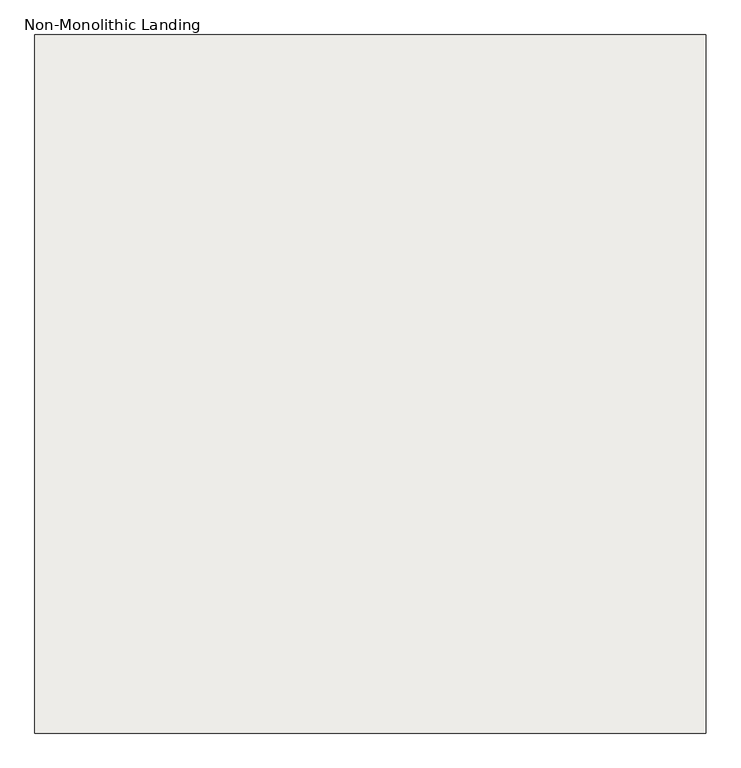
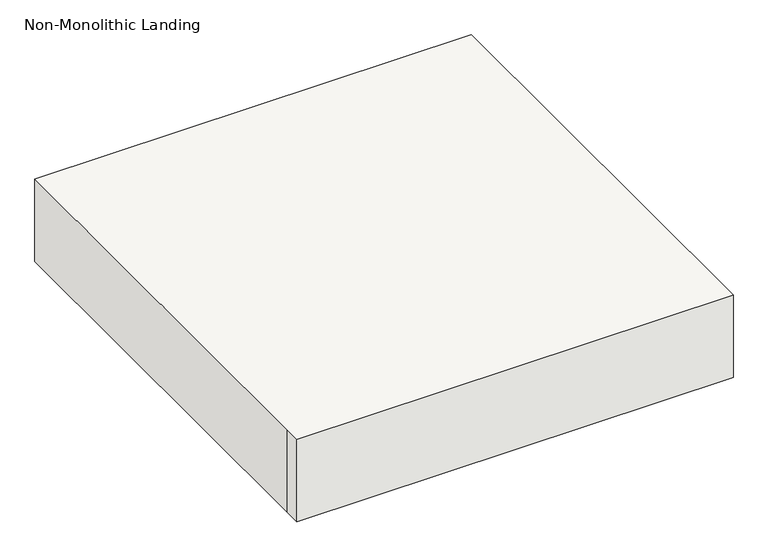
"""IFC4 building model written with IfcOpenShell, lengths in millimetres: slab geometry, Non-Monolithic Landing."""

from ifc_helpers import new_model, si_unit, frame, origin, place, context, project, spatial, polyline, outline, extrude, source, transform, mapped, element, save


def non_monolithic_landing_f268ddea(model_context):
    return source(origin(), model_context, "Body", "SweptSolid", [
        extrude(outline(polyline([(5455.1809005, 1948.1591595), (6455.1809005, 1948.1591595), (6455.1809005, 908.1591595), (5455.1809005, 908.1591595), (5455.1809005, 948.1591595), (5455.1809005, 1948.1591595)])), frame((0.0, 0.0, -1600.0), z_axis=(0.0, 0.0, 1.0), x_axis=(1.0, 0.0, 0.0)), (0.0, 0.0, 1.0), 200.0),
    ])


if __name__ == "__main__":
    model = new_model("IFC4")
    model_context = context("Model", 3, world=origin())
    ifc_project = project(units=[si_unit("LENGTHUNIT", "METRE", prefix="MILLI")], contexts=[model_context])
    site = spatial("IfcSite", under=ifc_project)
    building = spatial("IfcBuilding", under=site)
    placement = place(None, origin())
    non_monolithic_landing_shape = non_monolithic_landing_f268ddea(model_context)
    element("IfcSlab", 1, ObjectType="Non-Monolithic Landing", at=placement, inside=building, context=model_context, shape_type="MappedRepresentation", body=[
        mapped(non_monolithic_landing_shape, transform((0.0, 0.0, 0.0), x_axis=(1.0, 0.0, 0.0), y_axis=(0.0, 1.0, 0.0), z_axis=(0.0, 0.0, 1.0))),
    ])
    save(model, "model.ifc")
